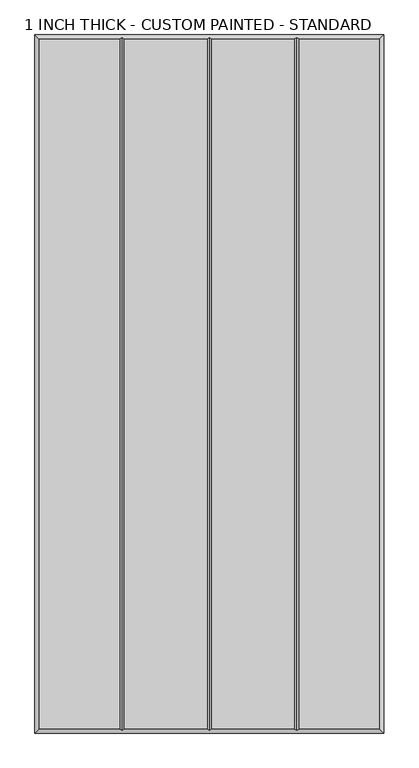
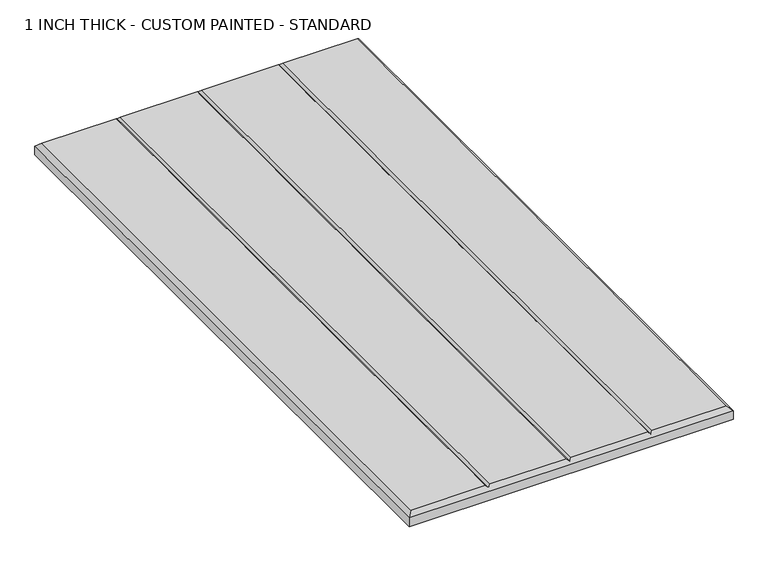
"""IFC4 building model written with IfcOpenShell, lengths in millimetres: proxy geometry, 1 INCH THICK - CUSTOM PAINTED - STANDARD."""

from ifc_helpers import new_model, si_unit, origin, place, context, project, spatial, faceted_brep, source, transform, mapped, element, save


def proxy_1_inch_thick_custom_painted_standard_09f332fc(model_context):
    return source(origin(), model_context, "Body", "Brep", [
        faceted_brep([(-296.799, 601.599, 25.4), (-296.799, -601.599, 25.4), (-156.4009826, -601.599, 25.4), (-156.4009826, 601.599, 25.4), (296.799, -601.599, 25.4), (296.799, 601.599, 25.4), (156.4010334, 601.599, 25.4), (156.4010334, -601.599, 25.4), (-148.3999826, 601.599, 25.4), (-148.3999826, -601.599, 25.4), (-4.0004746, -601.599, 25.4), (-4.0004746, 601.599, 25.4), (4.0005254, 601.599, 25.4), (4.0005254, -601.599, 25.4), (148.4000334, -601.599, 25.4), (148.4000334, 601.599, 25.4), (-304.8, 609.6, 0.0), (304.8, 609.6, 0.0), (304.8, -609.6, 0.0), (-304.8, -609.6, 0.0), (-304.8, -609.6, 17.399), (-304.8, 609.6, 17.399), (304.8, -609.6, 17.399), (304.8, 609.6, 17.399), (-152.4004826, 605.5995, 21.3995), (2.54e-05, 605.5995, 21.3995), (152.4005334, 605.5995, 21.3995), (152.4005334, -605.5995, 21.3995), (2.54e-05, -605.5995, 21.3995), (-152.4004826, -605.5995, 21.3995)], [[[0, 1, 2, 3]], [[4, 5, 6, 7]], [[8, 9, 10, 11]], [[12, 13, 14, 15]], [[16, 17, 18, 19]], [[16, 19, 20, 21]], [[19, 18, 22, 20]], [[18, 17, 23, 22]], [[17, 16, 21, 23]], [[21, 0, 3, 24, 8, 11, 25, 12, 15, 26, 6, 5, 23]], [[0, 21, 20, 1]], [[1, 20, 22, 4, 7, 27, 14, 13, 28, 10, 9, 29, 2]], [[23, 5, 4, 22]], [[24, 29, 9, 8]], [[29, 24, 3, 2]], [[25, 28, 13, 12]], [[28, 25, 11, 10]], [[26, 27, 7, 6]], [[27, 26, 15, 14]]]),
    ])


if __name__ == "__main__":
    model = new_model("IFC4")
    model_context = context("Model", 3, world=origin())
    ifc_project = project(units=[si_unit("LENGTHUNIT", "METRE", prefix="MILLI")], contexts=[model_context])
    site = spatial("IfcSite", under=ifc_project)
    building = spatial("IfcBuilding", under=site)
    placement = place(None, origin())
    proxy_1_inch_thick_custom_painted_standard_shape = proxy_1_inch_thick_custom_painted_standard_09f332fc(model_context)
    element("IfcBuildingElementProxy", 1, Name="1 INCH THICK - CUSTOM PAINTED - STANDARD", ObjectType="1 INCH THICK - CUSTOM PAINTED - STANDARD", at=placement, inside=building, context=model_context, shape_type="MappedRepresentation", body=[
        mapped(proxy_1_inch_thick_custom_painted_standard_shape, transform((0.0, 0.0, 0.0), x_axis=(1.0, 0.0, 0.0), y_axis=(0.0, 1.0, 0.0), z_axis=(0.0, 0.0, 1.0))),
    ])
    save(model, "model.ifc")
